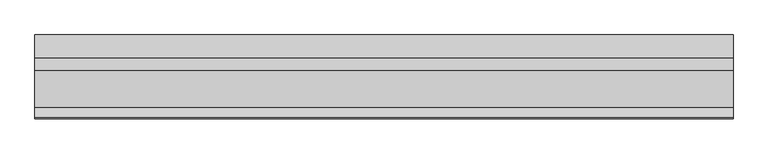
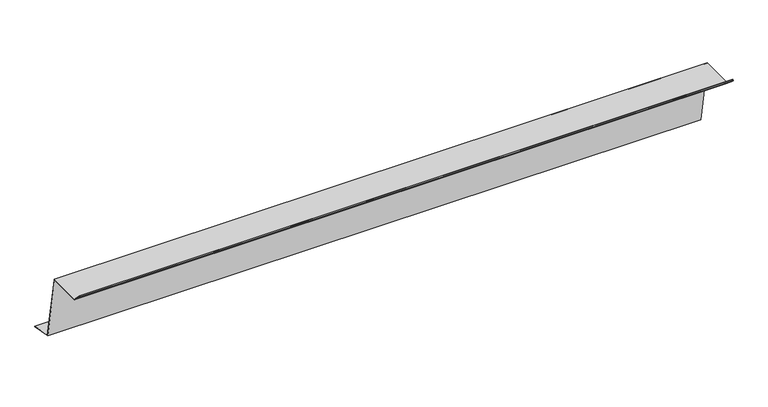
"""IFC4 building model written with IfcOpenShell, lengths in millimetres: proxy geometry."""

from ifc_helpers import new_model, si_unit, origin, place, context, project, spatial, faceted_brep, source, transform, mapped, element, save


def generic_models_e8b4805c(model_context):
    return source(origin(), model_context, "Body", "Brep", [
        faceted_brep([(0.0, 76.978028, -159.8317756), (0.0, 76.978028, -158.816349), (1500.0, 76.978028, -158.816349), (1500.0, 76.978028, -159.8317756), (0.0, 26.1148101, -150.863218), (1500.0, 26.1148101, -150.863218), (0.0, -0.8390996, 2.0), (0.0, -0.4864457, 0.0), (1500.0, -0.4864457, 0.0), (1500.0, -0.8390996, 2.0), (0.0, -80.4142136, 2.0), (1500.0, -80.4142136, 2.0), (0.0, -101.2132034, 22.7989899), (1500.0, -101.2132034, 22.7989899), (0.0, -101.9203102, 22.0918831), (1500.0, -101.9203102, 22.0918831), (0.0, -95.5563492, 15.7279221), (1500.0, -95.5563492, 15.7279221), (0.0, -96.263456, 15.0208153), (1500.0, -96.263456, 15.0208153), (0.0, -103.3345238, 22.0918831), (1500.0, -103.3345238, 22.0918831), (0.0, -101.2132034, 24.2132034), (1500.0, -101.2132034, 24.2132034), (0.0, -80.0, 3.0), (1500.0, -80.0, 3.0), (0.0, 0.0, 3.0), (1500.0, 0.0, 3.0), (0.0, 0.5289809, 0.0), (1500.0, 0.5289809, 0.0), (1500.0, 26.978028, -150.0), (0.0, 26.978028, -150.0)], [[[0, 1, 2, 3]], [[4, 0, 3, 5]], [[6, 7, 4, 5, 8, 9]], [[10, 6, 9, 11]], [[12, 10, 11, 13]], [[14, 12, 13, 15]], [[16, 14, 15, 17]], [[18, 16, 17, 19]], [[20, 18, 19, 21]], [[22, 20, 21, 23]], [[24, 22, 23, 25]], [[26, 24, 25, 27]], [[28, 26, 27, 29, 30, 31]], [[1, 31, 30, 2]], [[28, 7, 6, 10, 12, 14, 16, 18, 20, 22, 24, 26]], [[7, 28, 31, 1, 0, 4]], [[8, 29, 27, 25, 23, 21, 19, 17, 15, 13, 11, 9]], [[29, 8, 5, 3, 2, 30]]]),
    ])


if __name__ == "__main__":
    model = new_model("IFC4")
    model_context = context("Model", 3, world=origin())
    ifc_project = project(units=[si_unit("LENGTHUNIT", "METRE", prefix="MILLI")], contexts=[model_context])
    site = spatial("IfcSite", under=ifc_project)
    building = spatial("IfcBuilding", under=site)
    placement = place(None, origin())
    generic_models_shape = generic_models_e8b4805c(model_context)
    element("IfcBuildingElementProxy", 1, Name="Generic Models", at=placement, inside=building, context=model_context, shape_type="MappedRepresentation", body=[
        mapped(generic_models_shape, transform((0.0, 0.0, 0.0), x_axis=(1.0, 0.0, 0.0), y_axis=(0.0, 1.0, 0.0), z_axis=(0.0, 0.0, 1.0))),
    ])
    save(model, "model.ifc")
